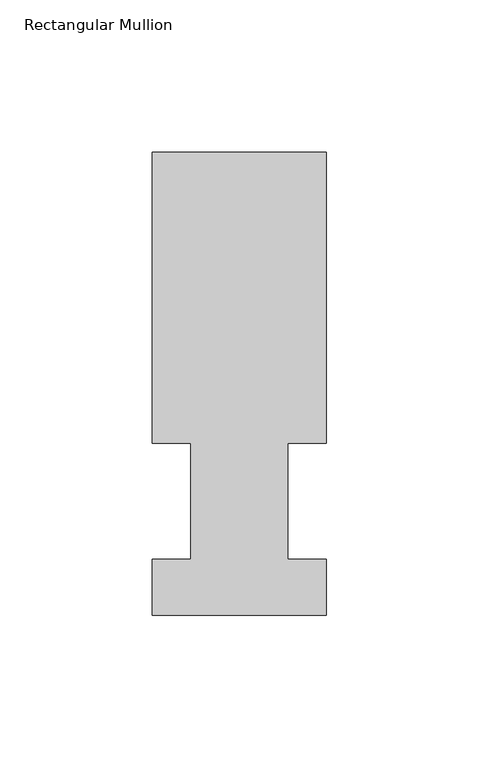
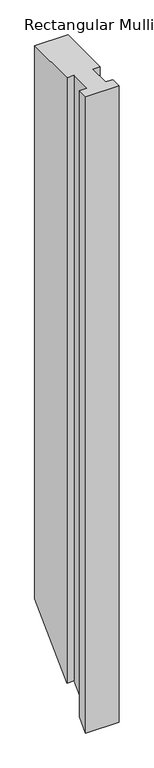
"""IFC4 building model written with IfcOpenShell, lengths in millimetres: member geometry, Rectangular Mullion."""

from ifc_helpers import new_model, si_unit, origin, place, context, project, spatial, faceted_brep, source, transform, mapped, element, save


def rectangular_mullion_56770ed6(model_context):
    return source(origin(), model_context, "Body", "Brep", [
        faceted_brep([(-57.15, 151.98725, 0.0), (-57.15, 56.35625, 0.0), (-44.45, 56.35625, 0.0), (-44.45, 18.25625, 0.0), (-57.15, 18.25625, 0.0), (-57.15, -0.03175, 0.0), (0.0, -0.03175, 0.0), (0.0, 18.25625, 0.0), (-12.7, 18.25625, 0.0), (-12.7, 56.35625, 0.0), (0.0, 56.35625, 0.0), (0.0, 151.98725, 0.0), (-57.15, 151.98725, -1004.077875), (-57.15, 56.35625, -1099.708875), (-44.45, 56.35625, -1099.708875), (-44.45, 18.25625, -1137.808875), (-57.15, 18.25625, -1137.808875), (-57.15, -0.03175, -1156.096875), (0.0, -0.03175, -1156.096875), (0.0, 18.25625, -1137.808875), (-12.7, 18.25625, -1137.808875), (-12.7, 56.35625, -1099.708875), (0.0, 56.35625, -1099.708875), (0.0, 151.98725, -1004.077875)], [[[0, 1, 2, 3, 4, 5, 6, 7, 8, 9, 10, 11]], [[1, 0, 12, 13]], [[2, 1, 13, 14]], [[3, 2, 14, 15]], [[4, 3, 15, 16]], [[5, 4, 16, 17]], [[6, 5, 17, 18]], [[7, 6, 18, 19]], [[8, 7, 19, 20]], [[9, 8, 20, 21]], [[10, 9, 21, 22]], [[11, 10, 22, 23]], [[0, 11, 23, 12]], [[12, 23, 22, 21, 20, 19, 18, 17, 16, 15, 14, 13]]]),
    ])


if __name__ == "__main__":
    model = new_model("IFC4")
    model_context = context("Model", 3, world=origin())
    ifc_project = project(units=[si_unit("LENGTHUNIT", "METRE", prefix="MILLI")], contexts=[model_context])
    site = spatial("IfcSite", under=ifc_project)
    building = spatial("IfcBuilding", under=site)
    placement = place(None, origin())
    rectangular_mullion_shape = rectangular_mullion_56770ed6(model_context)
    element("IfcMember", 1, ObjectType="Rectangular Mullion", at=placement, inside=building, context=model_context, shape_type="MappedRepresentation", body=[
        mapped(rectangular_mullion_shape, transform((0.0, 0.0, 0.0), x_axis=(1.0, 0.0, 0.0), y_axis=(0.0, 1.0, 0.0), z_axis=(0.0, 0.0, 1.0))),
    ])
    save(model, "model.ifc")
